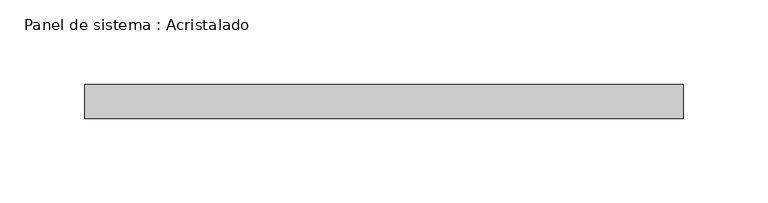
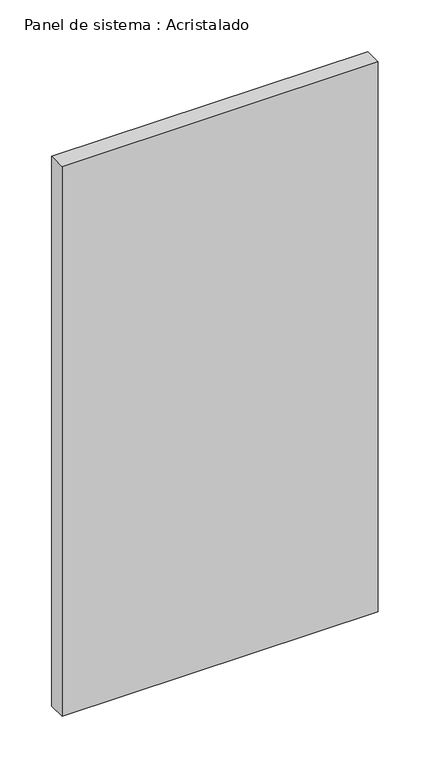
"""IFC4 building model written with IfcOpenShell, lengths in millimetres: plate geometry, Panel de sistema : Acristalado."""

from ifc_helpers import new_model, si_unit, origin, origin_with_axes, place, context, project, spatial, polyline, outline, extrude, source, transform, mapped, element, save


def panel_de_sistema_acristalado_f33c17af(model_context):
    return source(origin(), model_context, "Body", "SweptSolid", [
        extrude(outline(polyline([(176.6666667, -10.0), (-176.6666667, -10.0), (-176.6666667, 10.0), (176.6666667, 10.0), (176.6666667, -10.0)])), origin_with_axes(), (0.0, 0.0, 1.0), 648.7704445),
    ])


if __name__ == "__main__":
    model = new_model("IFC4")
    model_context = context("Model", 3, world=origin())
    ifc_project = project(units=[si_unit("LENGTHUNIT", "METRE", prefix="MILLI")], contexts=[model_context])
    site = spatial("IfcSite", under=ifc_project)
    building = spatial("IfcBuilding", under=site)
    placement = place(None, origin())
    panel_de_sistema_acristalado_shape = panel_de_sistema_acristalado_f33c17af(model_context)
    element("IfcPlate", 1, ObjectType="Panel de sistema : Acristalado", at=placement, inside=building, context=model_context, shape_type="MappedRepresentation", body=[
        mapped(panel_de_sistema_acristalado_shape, transform((0.0, 0.0, 0.0), x_axis=(1.0, 0.0, 0.0), y_axis=(0.0, 1.0, 0.0), z_axis=(0.0, 0.0, 1.0))),
    ])
    save(model, "model.ifc")
